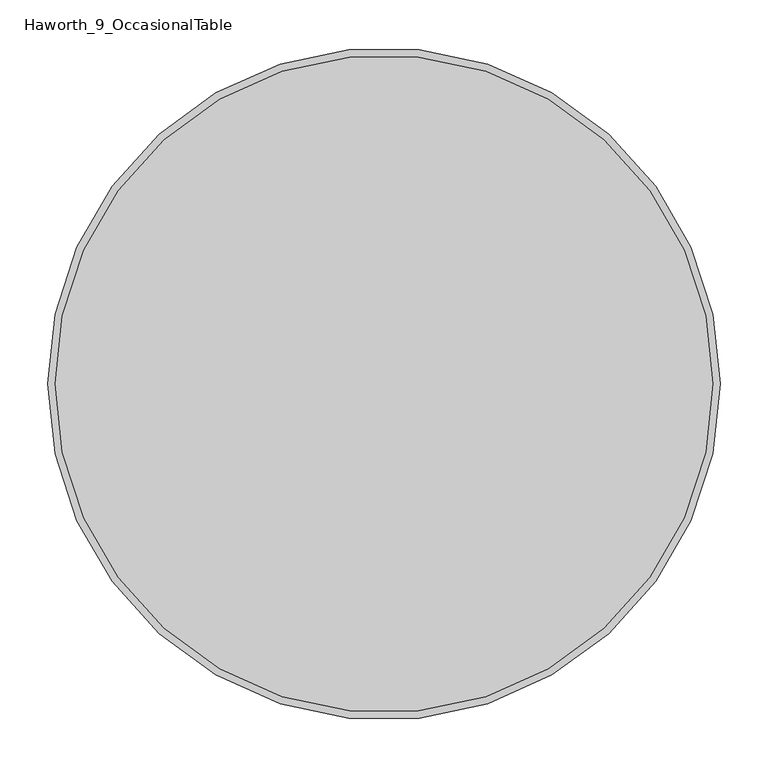
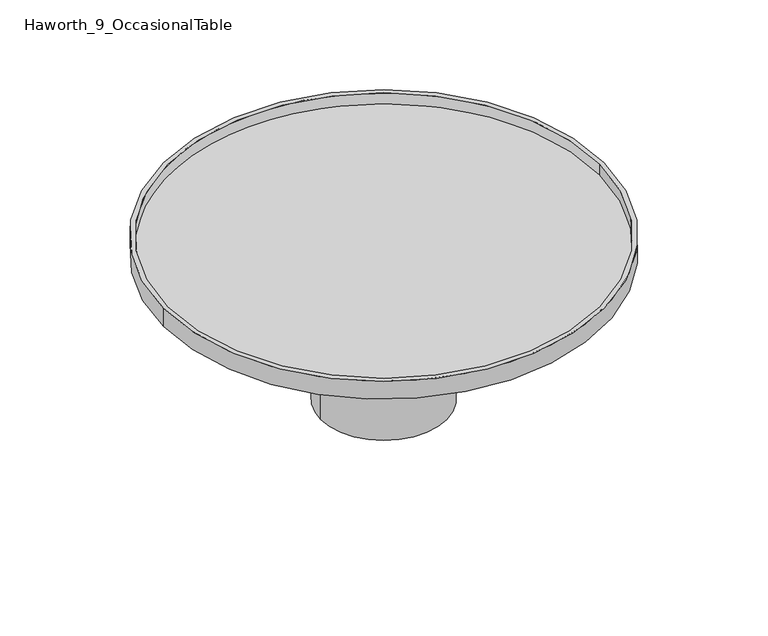
"""IFC4 building model written with IfcOpenShell, lengths in millimetres: furniture geometry, Haworth_9_OccasionalTable."""

from ifc_helpers import new_model, si_unit, point, frame, frame_2d, origin, origin_with_axes, place, context, project, spatial, circle_curve, trimmed, segment, composite_curve, outline, extrude, source, transform, mapped, element, save


def haworth_9_occasionaltable_22dcb562(model_context):
    return source(origin(), model_context, "Body", "SweptSolid", [
        extrude(outline(composite_curve([segment(trimmed(circle_curve(frame_2d((-155.4452882, -292.1)), 342.9), [point((-498.3452882, -292.1))], [point((187.4547118, -292.1))], False, "CARTESIAN"), True, "CONTINUOUS"), segment(trimmed(circle_curve(frame_2d((-155.4452882, -292.1)), 342.9), [point((187.4547118, -292.1))], [point((-498.3452882, -292.1))], False, "CARTESIAN"), True, "CONTINUOUS")], self_intersect=False), holes=[composite_curve([segment(trimmed(circle_curve(frame_2d((-232.9383677, -578.0165382)), 12.7), [point((-245.6383677, -578.0165382))], [point((-220.2383677, -578.0165382))], True, "CARTESIAN"), True, "CONTINUOUS"), segment(trimmed(circle_curve(frame_2d((-232.9383677, -578.0165382)), 12.7), [point((-220.2383677, -578.0165382))], [point((-245.6383677, -578.0165382))], True, "CARTESIAN"), True, "CONTINUOUS")], self_intersect=False), composite_curve([segment(trimmed(circle_curve(frame_2d((-415.2872882, -141.4551193)), 12.7), [point((-427.9872882, -141.4551193))], [point((-402.5872882, -141.4551193))], True, "CARTESIAN"), True, "CONTINUOUS"), segment(trimmed(circle_curve(frame_2d((-415.2872882, -141.4551193)), 12.7), [point((-402.5872882, -141.4551193))], [point((-427.9872882, -141.4551193))], True, "CARTESIAN"), True, "CONTINUOUS")], self_intersect=False), composite_curve([segment(trimmed(circle_curve(frame_2d((104.3967118, -141.4551193)), 12.7), [point((91.6967118, -141.4551193))], [point((117.0967118, -141.4551193))], True, "CARTESIAN"), True, "CONTINUOUS"), segment(trimmed(circle_curve(frame_2d((104.3967118, -141.4551193)), 12.7), [point((117.0967118, -141.4551193))], [point((91.6967118, -141.4551193))], True, "CARTESIAN"), True, "CONTINUOUS")], self_intersect=False)]), frame((0.0, 0.0, 247.2739949), z_axis=(0.0, 0.0, 1.0), x_axis=(1.0, 0.0, 0.0)), (0.0, 0.0, 1.0), 4.9942446),
        extrude(outline(composite_curve([segment(trimmed(circle_curve(frame_2d((-155.4452882, -292.1)), 342.9), [point((-498.3452882, -292.1))], [point((187.4547118, -292.1))], False, "CARTESIAN"), True, "CONTINUOUS"), segment(trimmed(circle_curve(frame_2d((-155.4452882, -292.1)), 342.9), [point((187.4547118, -292.1))], [point((-498.3452882, -292.1))], False, "CARTESIAN"), True, "CONTINUOUS")], self_intersect=False)), frame((0.0, 0.0, 252.2682394), z_axis=(0.0, 0.0, 1.0), x_axis=(1.0, 0.0, 0.0)), (0.0, 0.0, 1.0), 6.9967023),
        extrude(outline(composite_curve([segment(trimmed(circle_curve(frame_2d((-155.4452882, -292.1)), 350.52), [point((-505.9652882, -292.1))], [point((195.0747118, -292.1))], False, "CARTESIAN"), True, "CONTINUOUS"), segment(trimmed(circle_curve(frame_2d((-155.4452882, -292.1)), 350.52), [point((195.0747118, -292.1))], [point((-505.9652882, -292.1))], False, "CARTESIAN"), True, "CONTINUOUS")], self_intersect=False), holes=[composite_curve([segment(trimmed(circle_curve(frame_2d((-155.4452882, -292.1)), 342.9), [point((-498.3452882, -292.1))], [point((187.4547118, -292.1))], True, "CARTESIAN"), True, "CONTINUOUS"), segment(trimmed(circle_curve(frame_2d((-155.4452882, -292.1)), 342.9), [point((187.4547118, -292.1))], [point((-498.3452882, -292.1))], True, "CARTESIAN"), True, "CONTINUOUS")], self_intersect=False)]), frame((0.0, 0.0, 247.2739949), z_axis=(0.0, 0.0, 1.0), x_axis=(1.0, 0.0, 0.0)), (0.0, 0.0, 1.0), 30.000022),
        extrude(outline(composite_curve([segment(trimmed(circle_curve(frame_2d((-155.4452882, -292.1)), 10.0160977), [point((-165.4613858, -292.1))], [point((-145.4291905, -292.1))], False, "CARTESIAN"), True, "CONTINUOUS"), segment(trimmed(circle_curve(frame_2d((-155.4452882, -292.1)), 10.0160977), [point((-145.4291905, -292.1))], [point((-165.4613858, -292.1))], False, "CARTESIAN"), True, "CONTINUOUS")], self_intersect=False)), frame((0.0, 0.0, 234.8720286), z_axis=(0.0, 0.0, 1.0), x_axis=(1.0, 0.0, 0.0)), (0.0, 0.0, 1.0), 15.5305335),
        extrude(outline(composite_curve([segment(trimmed(circle_curve(frame_2d((-155.4452882, -292.1)), 95.0996992), [point((-250.5449874, -292.1))], [point((-60.3455889, -292.1))], False, "CARTESIAN"), True, "CONTINUOUS"), segment(trimmed(circle_curve(frame_2d((-155.4452882, -292.1)), 95.0996992), [point((-60.3455889, -292.1))], [point((-250.5449874, -292.1))], False, "CARTESIAN"), True, "CONTINUOUS")], self_intersect=False)), origin_with_axes(), (0.0, 0.0, 1.0), 3.0065621),
        extrude(outline(composite_curve([segment(trimmed(circle_curve(frame_2d((-155.4452882, -292.1)), 100.2289836), [point((-255.6742718, -292.1))], [point((-55.2163045, -292.1))], False, "CARTESIAN"), True, "CONTINUOUS"), segment(trimmed(circle_curve(frame_2d((-155.4452882, -292.1)), 100.2289836), [point((-55.2163045, -292.1))], [point((-255.6742718, -292.1))], False, "CARTESIAN"), True, "CONTINUOUS")], self_intersect=False)), frame((0.0, 0.0, 3.0065621), z_axis=(0.0, 0.0, 1.0), x_axis=(1.0, 0.0, 0.0)), (0.0, 0.0, 1.0), 247.396),
    ])


if __name__ == "__main__":
    model = new_model("IFC4")
    model_context = context("Model", 3, world=origin())
    ifc_project = project(units=[si_unit("LENGTHUNIT", "METRE", prefix="MILLI")], contexts=[model_context])
    site = spatial("IfcSite", under=ifc_project)
    building = spatial("IfcBuilding", under=site)
    placement = place(None, origin())
    haworth_9_occasionaltable_shape = haworth_9_occasionaltable_22dcb562(model_context)
    element("IfcFurniture", 1, ObjectType="Haworth_9_OccasionalTable", at=placement, inside=building, context=model_context, shape_type="MappedRepresentation", body=[
        mapped(haworth_9_occasionaltable_shape, transform((0.0, 0.0, 0.0), x_axis=(1.0, 0.0, 0.0), y_axis=(0.0, 1.0, 0.0), z_axis=(0.0, 0.0, 1.0))),
    ])
    save(model, "model.ifc")
